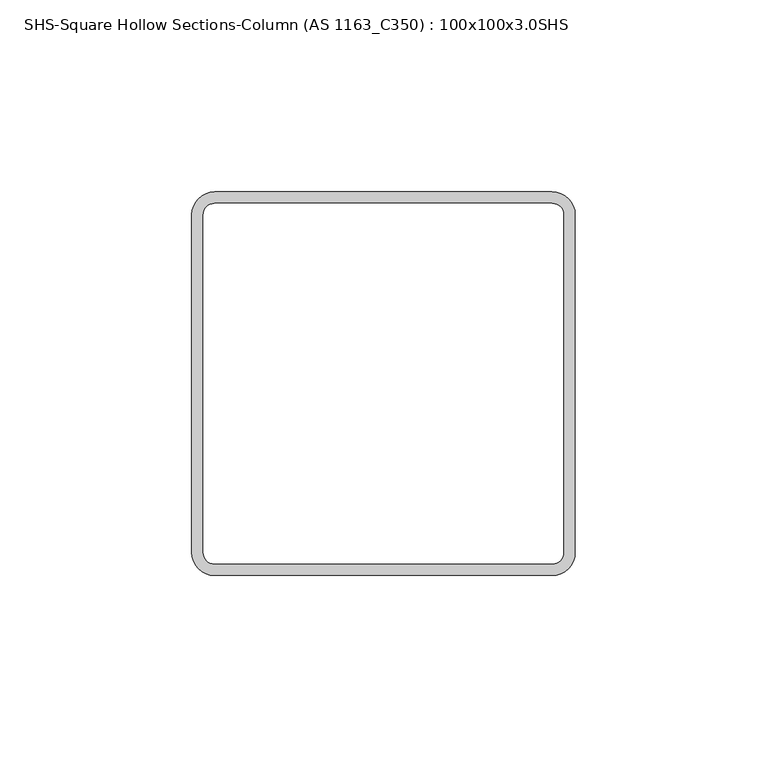
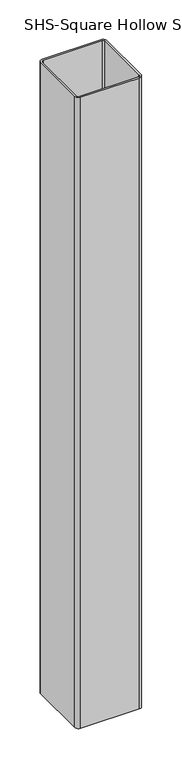
"""IFC4 building model written with IfcOpenShell, lengths in millimetres: column geometry, SHS-Square Hollow Sections-Column (AS 1163_C350) : 100x100x3.0SHS."""

from ifc_helpers import new_model, si_unit, point, frame_2d, origin, origin_with_axes, place, context, project, spatial, polyline, circle_curve, trimmed, segment, composite_curve, outline, extrude, source, transform, mapped, element, save


def shs_square_hollow_sections_column_as_1163_c350_100x100x3_c0093096(model_context):
    return source(origin(), model_context, "Body", "SweptSolid", [
        extrude(outline(composite_curve([segment(trimmed(circle_curve(frame_2d((44.0, 44.0)), 6.0), [point((44.0, 50.0))], [point((50.0, 44.0))], False, "CARTESIAN"), True, "CONTINUOUS"), segment(polyline([(50.0, 44.0), (50.0, -44.0)]), True, "CONTINUOUS"), segment(trimmed(circle_curve(frame_2d((44.0, -44.0)), 6.0), [point((50.0, -44.0))], [point((44.0, -50.0))], False, "CARTESIAN"), True, "CONTINUOUS"), segment(polyline([(44.0, -50.0), (-44.0, -50.0)]), True, "CONTINUOUS"), segment(trimmed(circle_curve(frame_2d((-44.0, -44.0)), 6.0), [point((-44.0, -50.0))], [point((-50.0, -44.0))], False, "CARTESIAN"), True, "CONTINUOUS"), segment(polyline([(-50.0, -44.0), (-50.0, 44.0)]), True, "CONTINUOUS"), segment(trimmed(circle_curve(frame_2d((-44.0, 44.0)), 6.0), [point((-50.0, 44.0))], [point((-44.0, 50.0))], False, "CARTESIAN"), True, "CONTINUOUS"), segment(polyline([(-44.0, 50.0), (44.0, 50.0)]), True, "CONTINUOUS")], self_intersect=False), holes=[composite_curve([segment(polyline([(44.0, 47.0), (-44.0, 47.0)]), True, "CONTINUOUS"), segment(trimmed(circle_curve(frame_2d((-44.0, 44.0)), 3.0), [point((-44.0, 47.0))], [point((-47.0, 44.0))], True, "CARTESIAN"), True, "CONTINUOUS"), segment(polyline([(-47.0, 44.0), (-47.0, -44.0)]), True, "CONTINUOUS"), segment(trimmed(circle_curve(frame_2d((-44.0, -44.0)), 3.0), [point((-47.0, -44.0))], [point((-44.0, -47.0))], True, "CARTESIAN"), True, "CONTINUOUS"), segment(polyline([(-44.0, -47.0), (44.0, -47.0)]), True, "CONTINUOUS"), segment(trimmed(circle_curve(frame_2d((44.0, -44.0)), 3.0), [point((44.0, -47.0))], [point((47.0, -44.0))], True, "CARTESIAN"), True, "CONTINUOUS"), segment(polyline([(47.0, -44.0), (47.0, 44.0)]), True, "CONTINUOUS"), segment(trimmed(circle_curve(frame_2d((44.0, 44.0)), 3.0), [point((47.0, 44.0))], [point((44.0, 47.0))], True, "CARTESIAN"), True, "CONTINUOUS")], self_intersect=False)]), origin_with_axes(), (0.0, 0.0, 1.0), 1000.0),
    ])


if __name__ == "__main__":
    model = new_model("IFC4")
    model_context = context("Model", 3, world=origin())
    ifc_project = project(units=[si_unit("LENGTHUNIT", "METRE", prefix="MILLI")], contexts=[model_context])
    site = spatial("IfcSite", under=ifc_project)
    building = spatial("IfcBuilding", under=site)
    placement = place(None, origin())
    shs_square_hollow_sections_column_as_1163_c350_100x100x3_shape = shs_square_hollow_sections_column_as_1163_c350_100x100x3_c0093096(model_context)
    element("IfcColumn", 1, ObjectType="SHS-Square Hollow Sections-Column (AS 1163_C350) : 100x100x3.0SHS", at=placement, inside=building, context=model_context, shape_type="MappedRepresentation", body=[
        mapped(shs_square_hollow_sections_column_as_1163_c350_100x100x3_shape, transform((0.0, 0.0, 0.0), x_axis=(1.0, 0.0, 0.0), y_axis=(0.0, 1.0, 0.0), z_axis=(0.0, 0.0, 1.0))),
    ])
    save(model, "model.ifc")
